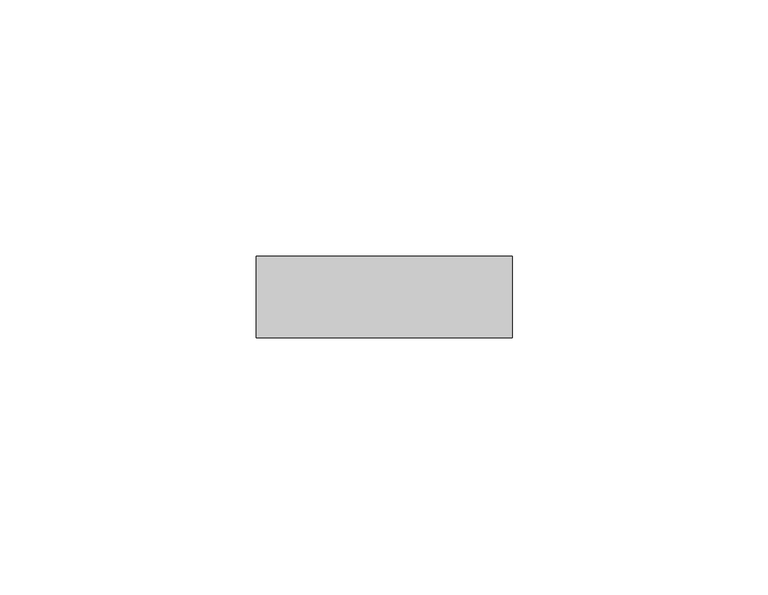
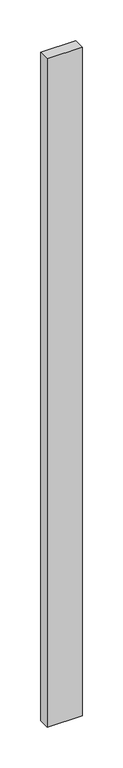
"""IFC4 building model written with IfcOpenShell, lengths in millimetres: proxy geometry."""

from ifc_helpers import new_model, si_unit, frame, origin, place, context, project, spatial, polyline, outline, extrude, source, transform, mapped, element, save


def generic_models_e5f4b699(model_context):
    return source(origin(), model_context, "Body", "SweptSolid", [
        extrude(outline(polyline([(55.5018515, -62.4360182), (5.5018515, -62.4360182), (5.5018515, -46.4360182), (55.5018515, -46.4360182), (55.5018515, -62.4360182)])), frame((0.0, 0.0, 1747.5399935), z_axis=(0.0, 0.0, 1.0), x_axis=(1.0, 0.0, 0.0)), (0.0, 0.0, 1.0), 1004.920013),
    ])


if __name__ == "__main__":
    model = new_model("IFC4")
    model_context = context("Model", 3, world=origin())
    ifc_project = project(units=[si_unit("LENGTHUNIT", "METRE", prefix="MILLI")], contexts=[model_context])
    site = spatial("IfcSite", under=ifc_project)
    building = spatial("IfcBuilding", under=site)
    placement = place(None, origin())
    generic_models_shape = generic_models_e5f4b699(model_context)
    element("IfcBuildingElementProxy", 1, Name="Generic Models", at=placement, inside=building, context=model_context, shape_type="MappedRepresentation", body=[
        mapped(generic_models_shape, transform((0.0, 0.0, 0.0), x_axis=(1.0, 0.0, 0.0), y_axis=(0.0, 1.0, 0.0), z_axis=(0.0, 0.0, 1.0))),
    ])
    save(model, "model.ifc")
